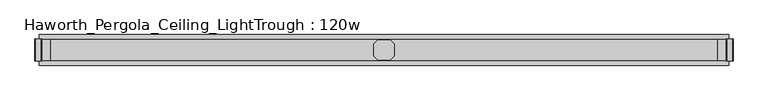
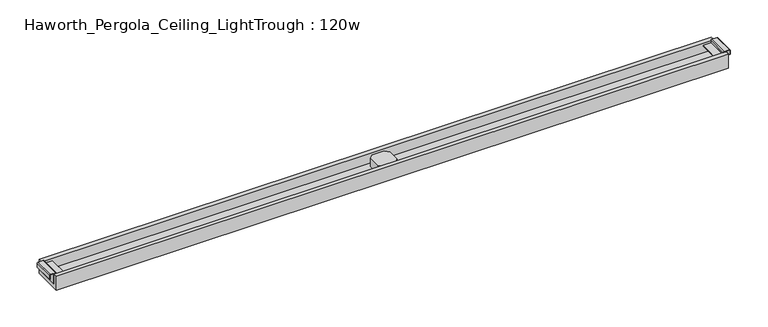
"""IFC4 building model written with IfcOpenShell, lengths in millimetres: furniture geometry, Haworth_Pergola_Ceiling_LightTrough : 120w."""

from ifc_helpers import new_model, si_unit, point, frame, frame_2d, origin, place, context, project, spatial, polyline, circle_curve, trimmed, segment, composite_curve, outline, extrude, source, transform, mapped, element, save


def haworth_pergola_ceiling_lighttrough_120w_c00fb816(model_context):
    return source(origin(), model_context, "Body", "SweptSolid", [
        extrude(outline(polyline([(640.0419998, 26.8840513), (658.1159515, 44.9580002), (711.8840484, 44.9580002), (729.9580002, 26.8840513), (729.9580002, -26.8840485), (711.8840484, -44.9580002), (658.1159515, -44.9580002), (640.0419998, -26.8840485), (640.0419998, 26.8840513)])), frame((0.0, 0.0, 2389.4796), z_axis=(0.0, 0.0, 1.0), x_axis=(1.0, 0.0, 0.0)), (0.0, 0.0, 1.0), 38.0999994),
        extrude(outline(composite_curve([segment(polyline([(2418.3545999, 2228.3534303), (2437.4045999, 2228.3534303)]), True, "CONTINUOUS"), segment(trimmed(circle_curve(frame_2d((2437.4045999, 2224.6934293)), 3.660001), [point((2437.4045999, 2228.3534303))], [point((2441.0646008, 2224.6934293))], False, "CARTESIAN"), True, "CONTINUOUS"), segment(polyline([(2441.0646008, 2224.6934293), (2441.0646008, 2201.2934303)]), True, "CONTINUOUS"), segment(trimmed(circle_curve(frame_2d((2437.0478931, 2201.6670697)), 4.0340485), [point((2441.0646008, 2201.2934303))], [point((2437.0478931, 2197.6330212))], False, "CARTESIAN"), True, "CONTINUOUS"), segment(polyline([(2437.0478931, 2197.6330212), (2426.6645986, 2197.6330212), (2425.6646, 2196.6330226), (2425.6646, 2161.1434301), (2423.0046, 2161.1434301), (2423.0046, 2196.6334301), (2423.0046, 2207.0999999), (2389.4796, 2207.0999999), (2389.4796, 2209.0), (2437.0478931, 2209.0), (2437.0478931, 2207.0999999), (2426.6645986, 2207.0999999), (2426.6645986, 2200.29343), (2437.0478931, 2200.29343), (2438.4045979, 2201.2934303), (2438.4045979, 2224.6934316), (2437.4045999, 2225.6934296), (2418.3545999, 2225.6934296), (2418.3545999, 2228.3534303)]), True, "CONTINUOUS")], self_intersect=False)), frame((0.0, -48.650001, 0.0), z_axis=(0.0, 1.0, 0.0), x_axis=(0.0, 0.0, 1.0)), (0.0, 0.0, 1.0), 97.3000021),
        extrude(outline(composite_curve([segment(polyline([(2418.3545999, -858.3534303), (2418.3545999, -855.6934296), (2437.4045999, -855.6934296), (2438.4045979, -854.6934316), (2438.4045979, -831.2934303), (2437.0478931, -830.29343), (2426.6645986, -830.29343), (2426.6645986, -837.1), (2437.0478931, -837.1), (2437.0478931, -839.0), (2389.4796, -839.0), (2389.4796, -837.1), (2423.0046, -837.1), (2423.0046, -826.6334301), (2423.0046, -791.1434301), (2425.6646, -791.1434301), (2425.6646, -826.6330226), (2426.6645986, -827.6330212), (2437.0478931, -827.6330212)]), True, "CONTINUOUS"), segment(trimmed(circle_curve(frame_2d((2437.0478931, -831.6670697)), 4.0340485), [point((2437.0478931, -827.6330212))], [point((2441.0646008, -831.2934303))], False, "CARTESIAN"), True, "CONTINUOUS"), segment(polyline([(2441.0646008, -831.2934303), (2441.0646008, -854.6934294)]), True, "CONTINUOUS"), segment(trimmed(circle_curve(frame_2d((2437.4045999, -854.6934294)), 3.660001), [point((2441.0646008, -854.6934294))], [point((2437.4045999, -858.3534303))], False, "CARTESIAN"), True, "CONTINUOUS"), segment(polyline([(2437.4045999, -858.3534303), (2418.3545999, -858.3534303)]), True, "CONTINUOUS")], self_intersect=False)), frame((0.0, -48.650001, 0.0), z_axis=(0.0, 1.0, 0.0), x_axis=(0.0, 0.0, 1.0)), (0.0, 0.0, 1.0), 97.3000021),
        extrude(outline(polyline([(67.700001, 2370.4296), (-67.700001, 2370.4296), (-67.700001, 2437.0478931), (-48.650001, 2437.0478931), (-48.650001, 2389.4796), (48.650001, 2389.4796), (48.650001, 2437.0478931), (67.700001, 2437.0478931), (67.700001, 2370.4296)])), frame((-839.0, 0.0, 0.0), z_axis=(1.0, 0.0, 0.0), x_axis=(0.0, 1.0, 0.0)), (0.0, 0.0, 1.0), 3048.0),
    ])


if __name__ == "__main__":
    model = new_model("IFC4")
    model_context = context("Model", 3, world=origin())
    ifc_project = project(units=[si_unit("LENGTHUNIT", "METRE", prefix="MILLI")], contexts=[model_context])
    site = spatial("IfcSite", under=ifc_project)
    building = spatial("IfcBuilding", under=site)
    placement = place(None, origin())
    haworth_pergola_ceiling_lighttrough_120w_shape = haworth_pergola_ceiling_lighttrough_120w_c00fb816(model_context)
    element("IfcFurniture", 1, ObjectType="Haworth_Pergola_Ceiling_LightTrough : 120w", at=placement, inside=building, context=model_context, shape_type="MappedRepresentation", body=[
        mapped(haworth_pergola_ceiling_lighttrough_120w_shape, transform((0.0, 0.0, 0.0), x_axis=(1.0, 0.0, 0.0), y_axis=(0.0, 1.0, 0.0), z_axis=(0.0, 0.0, 1.0))),
    ])
    save(model, "model.ifc")
